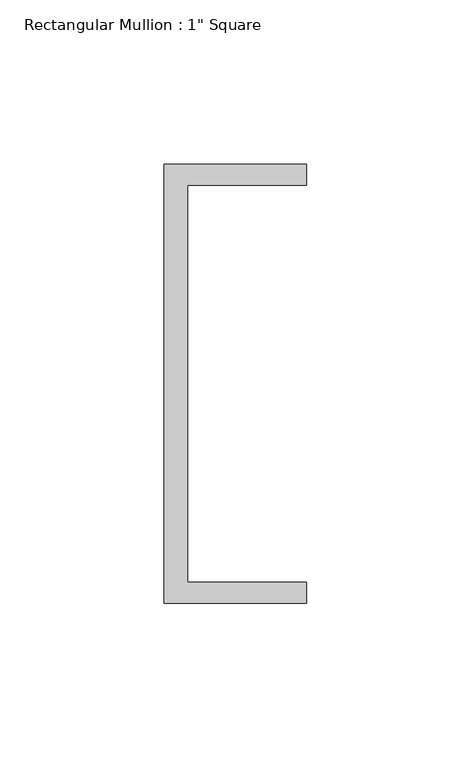
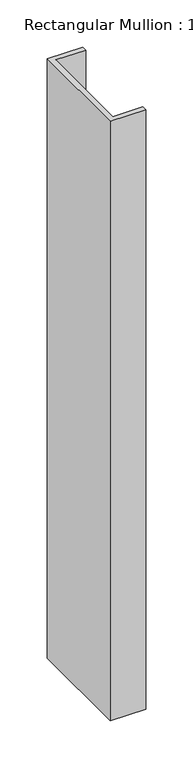
"""IFC4 building model written with IfcOpenShell, lengths in millimetres: member geometry."""

from ifc_helpers import new_model, si_unit, frame, origin, place, context, project, spatial, polyline, outline, extrude, source, transform, mapped, element, save


def member_93f68e7b(model_context):
    return source(origin(), model_context, "Body", "SweptSolid", [
        extrude(outline(polyline([(-18.6549463, 135.2608739), (24.5675083, 135.2608739), (24.5675083, 128.9108739), (-11.6110886, 128.9108739), (-11.6110886, 8.2608739), (24.5675083, 8.2608739), (24.5675083, 1.9108739), (-18.6549463, 1.9108739), (-18.6549463, 135.2608739)])), frame((0.0, 0.0, -774.6473343), z_axis=(0.0, 0.0, 1.0), x_axis=(1.0, 0.0, 0.0)), (0.0, 0.0, 1.0), 774.6473343),
    ])


if __name__ == "__main__":
    model = new_model("IFC4")
    model_context = context("Model", 3, world=origin())
    ifc_project = project(units=[si_unit("LENGTHUNIT", "METRE", prefix="MILLI")], contexts=[model_context])
    site = spatial("IfcSite", under=ifc_project)
    building = spatial("IfcBuilding", under=site)
    placement = place(None, origin())
    member_shape = member_93f68e7b(model_context)
    element("IfcMember", 1, ObjectType="Rectangular Mullion : 1\" Square", at=placement, inside=building, context=model_context, shape_type="MappedRepresentation", body=[
        mapped(member_shape, transform((0.0, 0.0, 0.0), x_axis=(1.0, 0.0, 0.0), y_axis=(0.0, 1.0, 0.0), z_axis=(0.0, 0.0, 1.0))),
    ])
    save(model, "model.ifc")
